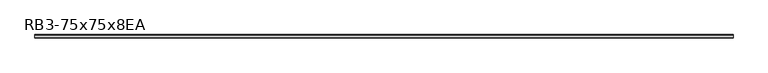
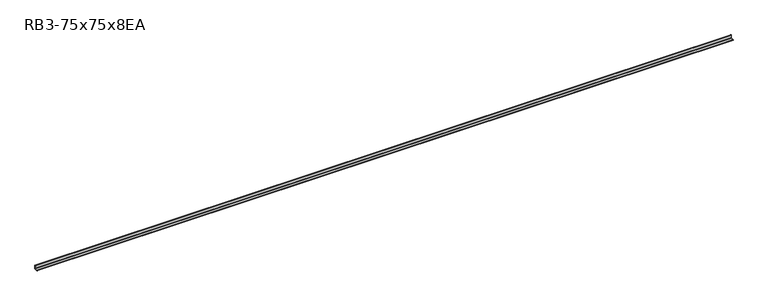
"""IFC4 building model written with IfcOpenShell, lengths in millimetres: member geometry, RB3-75x75x8EA."""

from ifc_helpers import new_model, si_unit, point, frame, frame_2d, origin, place, context, project, spatial, polyline, circle_curve, trimmed, segment, composite_curve, outline, extrude, source, transform, mapped, element, save


def rb3_75x75x8ea_3bdcef2a(model_context):
    return source(origin(), model_context, "Body", "SweptSolid", [
        extrude(outline(composite_curve([segment(polyline([(21.3, -21.3), (-53.7, -21.3), (-53.7, -18.3)]), True, "CONTINUOUS"), segment(trimmed(circle_curve(frame_2d((-48.7, -18.3)), 5.0), [point((-53.7, -18.3))], [point((-48.7, -13.3))], False, "CARTESIAN"), True, "CONTINUOUS"), segment(polyline([(-48.7, -13.3), (5.3, -13.3)]), True, "CONTINUOUS"), segment(trimmed(circle_curve(frame_2d((5.3, -5.3)), 8.0), [point((5.3, -13.3))], [point((13.3, -5.3))], True, "CARTESIAN"), True, "CONTINUOUS"), segment(polyline([(13.3, -5.3), (13.3, 48.7)]), True, "CONTINUOUS"), segment(trimmed(circle_curve(frame_2d((18.3, 48.7)), 5.0), [point((13.3, 48.7))], [point((18.3, 53.7))], False, "CARTESIAN"), True, "CONTINUOUS"), segment(polyline([(18.3, 53.7), (21.3, 53.7), (21.3, -21.3)]), True, "CONTINUOUS")], self_intersect=False)), frame((-7334.0, 0.0, 0.0), z_axis=(1.0, 0.0, 0.0), x_axis=(0.0, 1.0, 0.0)), (0.0, 0.0, 1.0), 14987.0),
    ])


if __name__ == "__main__":
    model = new_model("IFC4")
    model_context = context("Model", 3, world=origin())
    ifc_project = project(units=[si_unit("LENGTHUNIT", "METRE", prefix="MILLI")], contexts=[model_context])
    site = spatial("IfcSite", under=ifc_project)
    building = spatial("IfcBuilding", under=site)
    placement = place(None, origin())
    rb3_75x75x8ea_shape = rb3_75x75x8ea_3bdcef2a(model_context)
    element("IfcMember", 1, ObjectType="RB3-75x75x8EA", at=placement, inside=building, context=model_context, shape_type="MappedRepresentation", body=[
        mapped(rb3_75x75x8ea_shape, transform((0.0, 0.0, 0.0), x_axis=(1.0, 0.0, 0.0), y_axis=(0.0, 1.0, 0.0), z_axis=(0.0, 0.0, 1.0))),
    ])
    save(model, "model.ifc")
